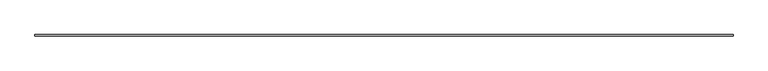
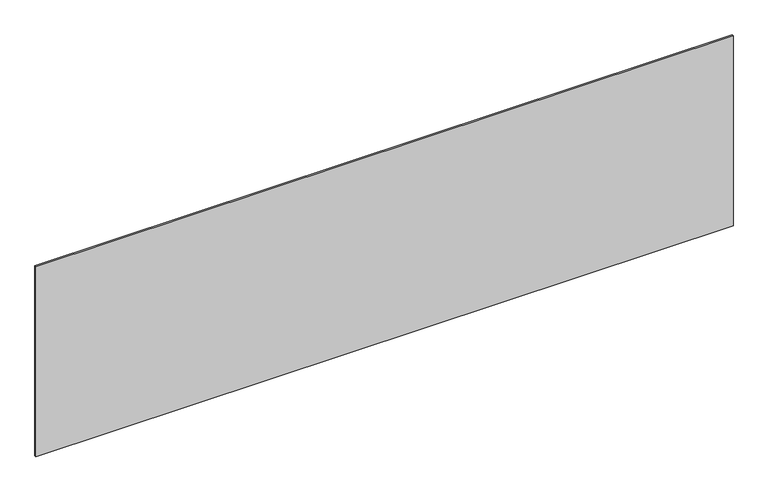
"""IFC4 building model written with IfcOpenShell, lengths in millimetres: plate geometry."""

from ifc_helpers import new_model, si_unit, origin, origin_with_axes, place, context, project, spatial, polyline, outline, extrude, source, transform, mapped, element, save


def plate_ddc2c518(model_context):
    return source(origin(), model_context, "Body", "SweptSolid", [
        extrude(outline(polyline([(2206.6666667, -5.0), (-2206.6666667, -5.0), (-2206.6666667, 5.0), (2206.6666667, 5.0), (2206.6666667, -5.0)])), origin_with_axes(), (0.0, 0.0, 1.0), 1271.3360336),
    ])


if __name__ == "__main__":
    model = new_model("IFC4")
    model_context = context("Model", 3, world=origin())
    ifc_project = project(units=[si_unit("LENGTHUNIT", "METRE", prefix="MILLI")], contexts=[model_context])
    site = spatial("IfcSite", under=ifc_project)
    building = spatial("IfcBuilding", under=site)
    placement = place(None, origin())
    plate_shape = plate_ddc2c518(model_context)
    element("IfcPlate", 1, at=placement, inside=building, context=model_context, shape_type="MappedRepresentation", body=[
        mapped(plate_shape, transform((0.0, 0.0, 0.0), x_axis=(1.0, 0.0, 0.0), y_axis=(0.0, 1.0, 0.0), z_axis=(0.0, 0.0, 1.0))),
    ])
    save(model, "model.ifc")
